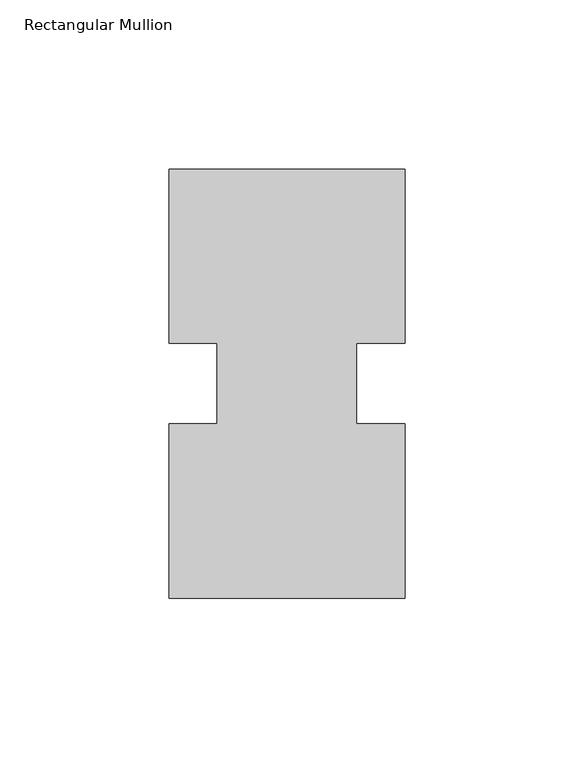
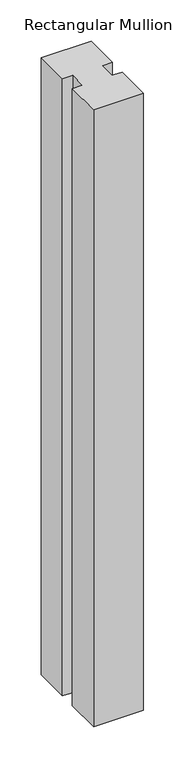
"""IFC4 building model written with IfcOpenShell, lengths in millimetres: member geometry, Rectangular Mullion."""

from ifc_helpers import new_model, si_unit, frame, origin, place, context, project, spatial, polyline, outline, extrude, source, transform, mapped, element, save


def rectangular_mullion_6df046e3(model_context):
    return source(origin(), model_context, "Body", "SweptSolid", [
        extrude(outline(polyline([(-34.925, 127.00635), (34.925, 127.00635), (34.925, 75.40625), (20.6375, 75.40625), (20.6375, 51.60645), (34.925, 51.60645), (34.925, 0.00635), (-34.925, 0.00635), (-34.925, 51.60645), (-20.6375, 51.60645), (-20.6375, 75.40625), (-34.925, 75.40625), (-34.925, 127.00635)])), frame((0.0, 0.0, -914.4), z_axis=(0.0, 0.0, 1.0), x_axis=(1.0, 0.0, 0.0)), (0.0, 0.0, 1.0), 914.4),
    ])


if __name__ == "__main__":
    model = new_model("IFC4")
    model_context = context("Model", 3, world=origin())
    ifc_project = project(units=[si_unit("LENGTHUNIT", "METRE", prefix="MILLI")], contexts=[model_context])
    site = spatial("IfcSite", under=ifc_project)
    building = spatial("IfcBuilding", under=site)
    placement = place(None, origin())
    rectangular_mullion_shape = rectangular_mullion_6df046e3(model_context)
    element("IfcMember", 1, ObjectType="Rectangular Mullion", at=placement, inside=building, context=model_context, shape_type="MappedRepresentation", body=[
        mapped(rectangular_mullion_shape, transform((0.0, 0.0, 0.0), x_axis=(1.0, 0.0, 0.0), y_axis=(0.0, 1.0, 0.0), z_axis=(0.0, 0.0, 1.0))),
    ])
    save(model, "model.ifc")
